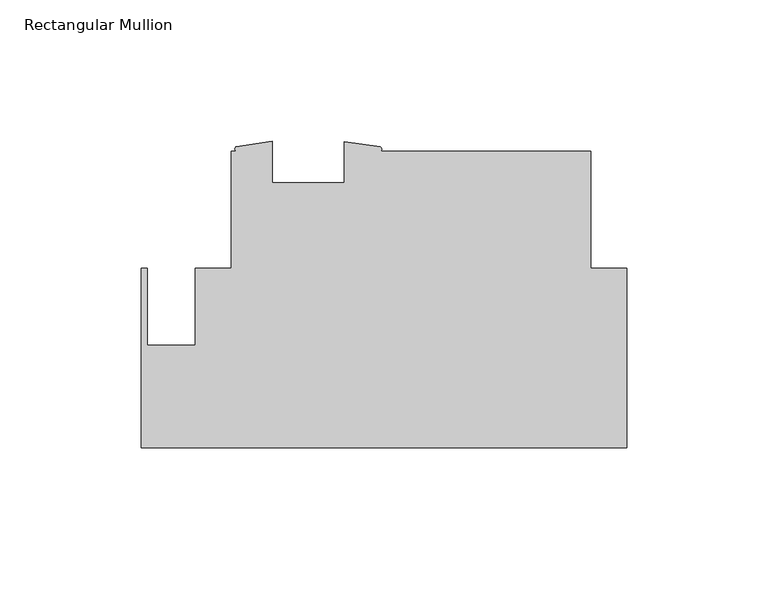
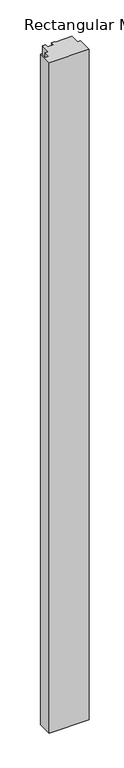
"""IFC4 building model written with IfcOpenShell, lengths in millimetres: member geometry, Rectangular Mullion."""

from ifc_helpers import new_model, si_unit, point, frame, frame_2d, origin, place, context, project, spatial, polyline, circle_curve, trimmed, segment, composite_curve, outline, extrude, source, transform, mapped, element, save


def rectangular_mullion_39a0892b(model_context):
    return source(origin(), model_context, "Body", "SweptSolid", [
        extrude(outline(composite_curve([segment(polyline([(-171.4499999, 5.1053996), (-169.4179999, 5.1053996), (-169.4179999, -22.0544009), (-152.5173426, -22.0544009), (-152.5173426, 5.1053996), (-139.7010309, 5.1053996), (-139.7010309, 46.3803997), (-137.8975059, 46.3803997)]), True, "CONTINUOUS"), segment(trimmed(circle_curve(frame_2d((-137.4900624, 47.2174097)), 0.9309114), [point((-137.8975059, 46.3803997))], [point((-137.8975059, 48.0544197))], False, "CARTESIAN"), True, "CONTINUOUS"), segment(polyline([(-137.8975059, 48.0544197), (-125.1975059, 49.8999214), (-125.1975059, 35.2678997), (-99.7975059, 35.2678997), (-99.7975059, 49.7763997), (-87.0262183, 47.9662959)]), True, "CONTINUOUS"), segment(trimmed(circle_curve(frame_2d((-87.5247738, 47.1733478)), 0.9366559), [point((-87.0262183, 47.9662959))], [point((-87.0262183, 46.3803997))], False, "CARTESIAN"), True, "CONTINUOUS"), segment(polyline([(-87.0262183, 46.3803997), (-12.7010309, 46.3803997), (-12.7010309, 5.1376656), (0.0, 5.1376656), (0.0, -58.3946), (-171.4499999, -58.3946), (-171.4499999, 5.1053996)]), True, "CONTINUOUS")], self_intersect=False)), frame((0.0, 0.0, -3048.0), z_axis=(0.0, 0.0, 1.0), x_axis=(1.0, 0.0, 0.0)), (0.0, 0.0, 1.0), 3048.0),
    ])


if __name__ == "__main__":
    model = new_model("IFC4")
    model_context = context("Model", 3, world=origin())
    ifc_project = project(units=[si_unit("LENGTHUNIT", "METRE", prefix="MILLI")], contexts=[model_context])
    site = spatial("IfcSite", under=ifc_project)
    building = spatial("IfcBuilding", under=site)
    placement = place(None, origin())
    rectangular_mullion_shape = rectangular_mullion_39a0892b(model_context)
    element("IfcMember", 1, ObjectType="Rectangular Mullion", at=placement, inside=building, context=model_context, shape_type="MappedRepresentation", body=[
        mapped(rectangular_mullion_shape, transform((0.0, 0.0, 0.0), x_axis=(1.0, 0.0, 0.0), y_axis=(0.0, 1.0, 0.0), z_axis=(0.0, 0.0, 1.0))),
    ])
    save(model, "model.ifc")
